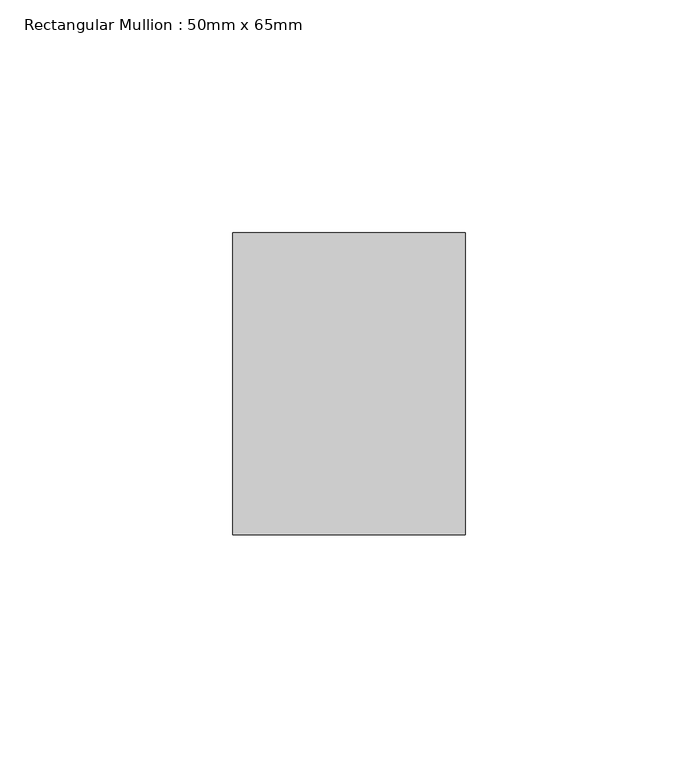
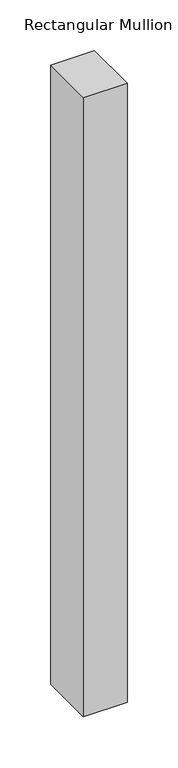
"""IFC4 building model written with IfcOpenShell, lengths in millimetres: member geometry, Rectangular Mullion : 50mm x 65mm."""

from ifc_helpers import new_model, si_unit, frame, origin, place, context, project, spatial, polyline, outline, extrude, source, transform, mapped, element, save


def rectangular_mullion_50mm_x_65mm_8c830b63(model_context):
    return source(origin(), model_context, "Body", "SweptSolid", [
        extrude(outline(polyline([(25.0, 32.5), (25.0, -32.5), (-25.0, -32.5), (-25.0, 32.5), (25.0, 32.5)])), frame((0.0, 0.0, -748.3578292), z_axis=(0.0, 0.0, 1.0), x_axis=(1.0, 0.0, 0.0)), (0.0, 0.0, 1.0), 748.3578292),
    ])


if __name__ == "__main__":
    model = new_model("IFC4")
    model_context = context("Model", 3, world=origin())
    ifc_project = project(units=[si_unit("LENGTHUNIT", "METRE", prefix="MILLI")], contexts=[model_context])
    site = spatial("IfcSite", under=ifc_project)
    building = spatial("IfcBuilding", under=site)
    placement = place(None, origin())
    rectangular_mullion_50mm_x_65mm_shape = rectangular_mullion_50mm_x_65mm_8c830b63(model_context)
    element("IfcMember", 1, ObjectType="Rectangular Mullion : 50mm x 65mm", at=placement, inside=building, context=model_context, shape_type="MappedRepresentation", body=[
        mapped(rectangular_mullion_50mm_x_65mm_shape, transform((0.0, 0.0, 0.0), x_axis=(1.0, 0.0, 0.0), y_axis=(0.0, 1.0, 0.0), z_axis=(0.0, 0.0, 1.0))),
    ])
    save(model, "model.ifc")
